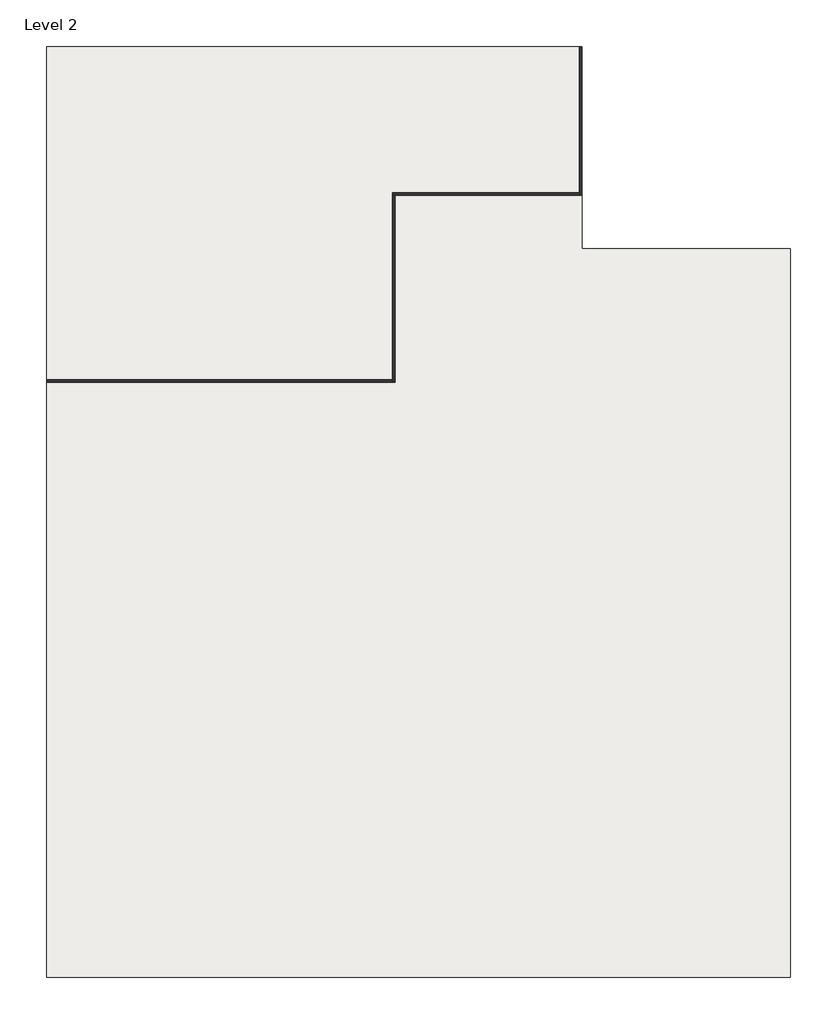
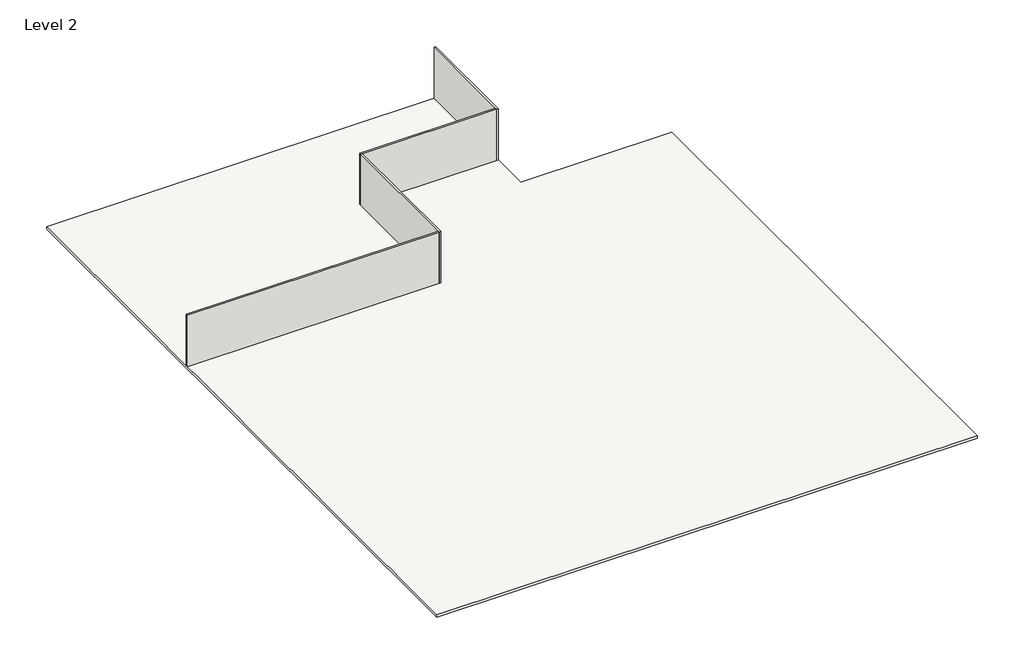
# One storey: 4 walls, 1 slab.
"""IFC4 building model written with IfcOpenShell, lengths in millimetres."""

import ifcopenshell
import ifcopenshell.guid

model = None  # the IFC model being written
_history = None  # IfcOwnerHistory: only IFC2X3 demands one
_inside = {}  # id of a spatial element -> (the spatial element, [elements in it])
_under = {}  # id of a project, library or spatial element -> (it, [spatial elements below it])
_declared = {}  # id of a project -> (the project, [libraries it declares])
_typed = {}  # id of a type object -> (the type object, [elements of that type])
_made_of = {}  # id of a material, layer set ... -> (it, [elements and type objects made of it])


def new_model(schema):
    """Start an empty IFC model of exactly this schema.

    Asked for "IFC4X3", IfcOpenShell would pick the latest addendum, in which some entities
    have other attributes; the version numbers below select the first issue.
    IFC2X3 requires an IfcOwnerHistory on every rooted entity: one is made here for all.
    """
    global model, _history
    if schema == "IFC4X3":
        model = ifcopenshell.file(schema_version=(4, 3, 0, 0))
    else:
        model = ifcopenshell.file(schema=schema)
    _inside.clear()
    _under.clear()
    _declared.clear()
    _typed.clear()
    _made_of.clear()
    _history = None
    if model.schema == "IFC2X3":
        org = make("IfcOrganization", Name="unknown")
        user = make(
            "IfcPersonAndOrganization",
            ThePerson=make("IfcPerson", FamilyName="unknown"),
            TheOrganization=org,
        )
        app = make(
            "IfcApplication",
            ApplicationDeveloper=org,
            Version="unknown",
            ApplicationFullName="unknown",
            ApplicationIdentifier="unknown",
        )
        _history = make(
            "IfcOwnerHistory",
            OwningUser=user,
            OwningApplication=app,
            ChangeAction="ADDED",
            CreationDate=0,
        )
    return model


def make(cls, **values):
    """One entity of the class cls with the attributes given. An attribute that is None is left unset."""
    return model.create_entity(
        cls, **{name: value for name, value in values.items() if value is not None}
    )


def rooted(cls, **values):
    """An entity with a GlobalId (a new one), such as an element, a storey or a relation."""
    return make(cls, GlobalId=ifcopenshell.guid.new(), OwnerHistory=_history, **values)


def si_unit(unit_type, name, prefix=None):
    """IfcSIUnit, for example si_unit("LENGTHUNIT", "METRE", prefix="MILLI")."""
    return make("IfcSIUnit", UnitType=unit_type, Prefix=prefix, Name=name)


def assignment(units):
    """IfcUnitAssignment: the units of a project."""
    return None if units is None else make("IfcUnitAssignment", Units=units)


def point(xyz):
    """IfcCartesianPoint."""
    return None if xyz is None else make("IfcCartesianPoint", Coordinates=xyz)


def direction(xyz):
    """IfcDirection."""
    return None if xyz is None else make("IfcDirection", DirectionRatios=xyz)


def frame(location, z_axis=None, x_axis=None):
    """IfcAxis2Placement3D, a coordinate frame: its origin and axes. An axis left out is left unset."""
    return make(
        "IfcAxis2Placement3D",
        Location=point(location),
        Axis=direction(z_axis),
        RefDirection=direction(x_axis),
    )


def origin():
    """The frame at (0, 0, 0) with its axes left unset."""
    return frame((0.0, 0.0, 0.0))


def place(relative_to, where):
    """IfcLocalPlacement: puts the frame where relative to a parent placement (None: the world)."""
    return make(
        "IfcLocalPlacement", PlacementRelTo=relative_to, RelativePlacement=where
    )


def context(
    kind, dimensions, precision=None, world=None, true_north=None, identifier=None
):
    """IfcGeometricRepresentationContext, for example the 3D "Model" context."""
    return make(
        "IfcGeometricRepresentationContext",
        ContextIdentifier=identifier,
        ContextType=kind,
        CoordinateSpaceDimension=dimensions,
        Precision=precision,
        WorldCoordinateSystem=world,
        TrueNorth=true_north,
    )


def project(units=None, contexts=None):
    """IfcProject with its units and contexts."""
    return rooted(
        "IfcProject",
        Name="project",
        RepresentationContexts=contexts,
        UnitsInContext=assignment(units),
    )


def spatial(cls, under=None, at=None, **own):
    """A site, building, storey or space (cls), placed at a placement, below another one or the project."""
    s = rooted(cls, ObjectPlacement=at, **own)
    if under is not None:
        _under.setdefault(under.id(), (under, []))[1].append(s)
    return s


def polyline(points):
    """IfcPolyline through the points."""
    return make("IfcPolyline", Points=[point(p) for p in points])


def outline(outer, holes=None, kind="AREA"):
    """IfcArbitraryClosedProfileDef: a profile drawn as a closed curve; with holes, ...WithVoids."""
    if holes is None:
        return make("IfcArbitraryClosedProfileDef", ProfileType=kind, OuterCurve=outer)
    return make(
        "IfcArbitraryProfileDefWithVoids",
        ProfileType=kind,
        OuterCurve=outer,
        InnerCurves=holes,
    )


def extrude(swept, where, along, depth):
    """IfcExtrudedAreaSolid: the profile swept, set in the frame where, extruded along a direction by depth."""
    return make(
        "IfcExtrudedAreaSolid",
        SweptArea=swept,
        Position=where,
        ExtrudedDirection=direction(along),
        Depth=depth,
    )


def faces_of(points, faces, orient=None, outer=None):
    """IfcFace entities. A face is a list of loops; a loop is a list of indices into points, from 0.

    orient and outer hold one flag for each loop. By default every Orientation is true, the
    first loop of a face is its IfcFaceOuterBound and the others are IfcFaceBound.
    """
    made = []
    for i, loops in enumerate(faces):
        bounds = []
        for j, loop in enumerate(loops):
            is_outer = j == 0 if outer is None else outer[i][j]
            bounds.append(
                make(
                    "IfcFaceOuterBound" if is_outer else "IfcFaceBound",
                    Bound=make("IfcPolyLoop", Polygon=[points[k] for k in loop]),
                    Orientation=True if orient is None else orient[i][j],
                )
            )
        made.append(make("IfcFace", Bounds=bounds))
    return made


def faceted_brep(points, faces, orient=None, outer=None, voids=None):
    """IfcFacetedBrep: a solid bounded by flat faces; with voids (closed shells), ...WithVoids."""
    shared = [point(p) for p in points]
    hull = make("IfcClosedShell", CfsFaces=faces_of(shared, faces, orient, outer))
    if voids is None:
        return make("IfcFacetedBrep", Outer=hull)
    return make(
        "IfcFacetedBrepWithVoids",
        Outer=hull,
        Voids=[
            make(cls, CfsFaces=faces_of(shared, fs, o, b)) for cls, fs, o, b in voids
        ],
    )


def shape(context_of_items, identifier, shape_type, items):
    """IfcShapeRepresentation: the items that make up one representation, for example the "Body"."""
    return make(
        "IfcShapeRepresentation",
        ContextOfItems=context_of_items,
        RepresentationIdentifier=identifier,
        RepresentationType=shape_type,
        Items=items,
    )


def made_of(thing, what):
    """Note that an element or type object is made of a material, layer set ...; save() writes the relation."""
    if what is not None:
        _made_of.setdefault(what.id(), (what, []))[1].append(thing)
    return thing


def element(
    cls,
    number,
    at=None,
    inside=None,
    cuts=None,
    type_object=None,
    material=None,
    context=None,
    identifier="Body",
    shape_type=None,
    held_by="IfcProductDefinitionShape",
    body=None,
    shapes=None,
    **own,
):
    """One element of the class cls, such as IfcWall. Its Tag is "e" and its number.

    at: its placement. inside: the storey or other place that contains it. cuts: it is an
    opening in that element (IfcRelVoidsElement). A single representation is given by context,
    identifier, shape_type and body (its items); several are given by shapes. held_by: the class
    of the entity that holds the representations. save() writes the other relations.
    """
    e = rooted(cls, Tag="e%d" % number, ObjectPlacement=at, **own)
    if body is not None:
        shapes = [shape(context, identifier, shape_type, body)]
    if shapes is not None:
        e.Representation = make(held_by, Representations=shapes)
    if inside is not None:
        _inside.setdefault(inside.id(), (inside, []))[1].append(e)
    if cuts is not None:
        rooted(
            "IfcRelVoidsElement", RelatingBuildingElement=cuts, RelatedOpeningElement=e
        )
    if type_object is not None:
        _typed.setdefault(type_object.id(), (type_object, []))[1].append(e)
    return made_of(e, material)


def aggregate(whole, parts):
    """IfcRelAggregates: a whole, such as a stair, and the parts it consists of."""
    return rooted("IfcRelAggregates", RelatingObject=whole, RelatedObjects=parts)


def save(model, path):
    """Write the relations noted so far, then the file.

    IfcRelAggregates (storeys below a building ...), IfcRelContainedInSpatialStructure (elements
    in a storey), IfcRelDefinesByType, IfcRelAssociatesMaterial and IfcRelDeclares: one each for
    every whole, place, type object, material and project.
    """
    for whole, parts in _under.values():
        aggregate(whole, parts)
    for where, things in _inside.values():
        rooted(
            "IfcRelContainedInSpatialStructure",
            RelatedElements=things,
            RelatingStructure=where,
        )
    for kind, things in _typed.values():
        rooted("IfcRelDefinesByType", RelatedObjects=things, RelatingType=kind)
    for what, things in _made_of.values():
        rooted("IfcRelAssociatesMaterial", RelatedObjects=things, RelatingMaterial=what)
    for by, libraries in _declared.values():
        rooted("IfcRelDeclares", RelatingContext=by, RelatedDefinitions=libraries)
    model.write(path)


model = new_model("IFC4")

# Units and contexts
model_context = context("Model", 3, world=origin())
ifc_project = project(units=[si_unit("LENGTHUNIT", "METRE", prefix="MILLI")], contexts=[model_context])

# Site, building, storey
site = spatial("IfcSite", under=ifc_project)
building = spatial("IfcBuilding", under=site)
storey = spatial("IfcBuildingStorey", under=building, Name="Level 2", Elevation=4572.0)

# Slab
placement = place(None, origin())
element("IfcSlab", 1, ObjectType="Generic - 12\"", at=placement, inside=storey, context=model_context, shape_type="Brep", body=[
    faceted_brep([(-7079.0244267, 17331.4741762, 4267.2), (-7079.0244267, 5190.2741762, 4267.2), (-7079.0244267, 851.446013, 4267.2), (9888.1755733, 851.446013, 4267.2), (9888.1755733, -58563.7258238, 4267.2), (-50767.0244267, -58563.7258238, 4267.2), (-50767.0244267, 17331.4741762, 4267.2), (-7282.2244267, 17331.4741762, 4267.2), (-7079.0244267, 17331.4741762, 4572.0), (-50767.0244267, 17331.4741762, 4572.0), (-50767.0244267, -58563.7258238, 4572.0), (9888.1755733, -58563.7258238, 4572.0), (9888.1755733, 851.446013, 4572.0), (-7079.0244267, 851.446013, 4572.0)], [[[0, 1, 2, 3, 4, 5, 6, 7]], [[8, 9, 10, 11, 12, 13]], [[2, 1, 0, 8, 13]], [[3, 2, 13, 12]], [[4, 3, 12, 11]], [[5, 4, 11, 10]], [[6, 5, 10, 9]], [[0, 7, 6, 9, 8]]]),
])

# Walls
element("IfcWall", 2, ObjectType="Generic - 8\"", at=placement, inside=storey, context=model_context, shape_type="Brep", body=[
    faceted_brep([(-7282.2244267, 17331.4741762, 4572.0), (-7282.2244267, 5393.4741762, 4572.0), (-7282.2244267, 5190.2741762, 4572.0), (-7282.2244267, 5190.2741762, 10668.0), (-7282.2244267, 5393.4741762, 10668.0), (-7282.2244267, 17331.4741762, 10668.0), (-7079.0244267, 17331.4741762, 4572.0), (-7079.0244267, 17331.4741762, 10668.0), (-7079.0244267, 5190.2741762, 10668.0), (-7079.0244267, 5190.2741762, 4572.0)], [[[0, 1, 2, 3, 4, 5]], [[6, 7, 8, 9]], [[2, 1, 0, 6, 9]], [[5, 4, 3, 8, 7]], [[0, 5, 7, 6]], [[3, 2, 9, 8]]]),
])
element("IfcWall", 3, ObjectType="Generic - 8\"", at=placement, inside=storey, context=model_context, shape_type="Brep", body=[
    faceted_brep([(-7282.2244267, 5393.4741762, 4572.0), (-22522.2244267, 5393.4741762, 4572.0), (-22522.2244267, 5393.4741762, 10668.0), (-7282.2244267, 5393.4741762, 10668.0), (-7282.2244267, 5190.2741762, 4572.0), (-7282.2244267, 5190.2741762, 10668.0), (-22319.0244267, 5190.2741762, 10668.0), (-22522.2244267, 5190.2741762, 10668.0), (-22522.2244267, 5190.2741762, 4572.0), (-22319.0244267, 5190.2741762, 4572.0)], [[[0, 1, 2, 3]], [[4, 5, 6, 7, 8, 9]], [[1, 0, 4, 9, 8]], [[3, 2, 7, 6, 5]], [[0, 3, 5, 4]], [[2, 1, 8, 7]]]),
])
element("IfcWall", 4, ObjectType="Generic - 8\"", at=placement, inside=storey, context=model_context, shape_type="Brep", body=[
    faceted_brep([(-22522.2244267, 5190.2741762, 4572.0), (-22522.2244267, -9846.5258238, 4572.0), (-22522.2244267, -10049.7258238, 4572.0), (-22522.2244267, -10049.7258238, 10668.0), (-22522.2244267, -9846.5258238, 10668.0), (-22522.2244267, 5190.2741762, 10668.0), (-22319.0244267, 5190.2741762, 4572.0), (-22319.0244267, 5190.2741762, 10668.0), (-22319.0244267, -10049.7258238, 10668.0), (-22319.0244267, -10049.7258238, 4572.0)], [[[0, 1, 2, 3, 4, 5]], [[6, 7, 8, 9]], [[2, 1, 0, 6, 9]], [[5, 4, 3, 8, 7]], [[0, 5, 7, 6]], [[3, 2, 9, 8]]]),
])
element("IfcWall", 5, ObjectType="Generic - 8\"", at=placement, inside=storey, context=model_context, shape_type="SweptSolid", body=[
    extrude(outline(polyline([(-50767.0244267, -9846.5258238), (-22522.2244267, -9846.5258238), (-22522.2244267, -10049.7258238), (-50767.0244267, -10049.7258238), (-50767.0244267, -9846.5258238)])), frame((0.0, 0.0, 4572.0), z_axis=(0.0, 0.0, 1.0), x_axis=(1.0, 0.0, 0.0)), (0.0, 0.0, 1.0), 6096.0),
])

save(model, "model.ifc")
